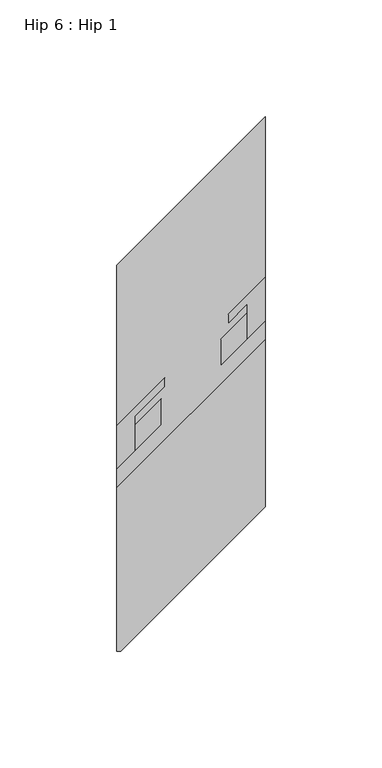
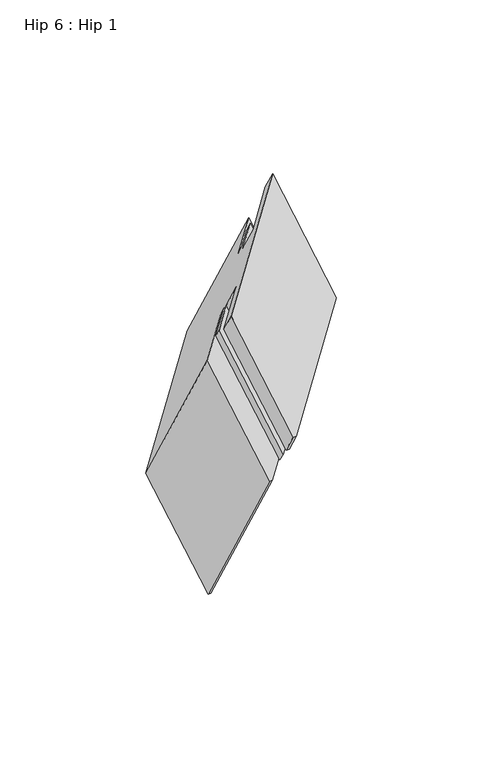
"""IFC4 building model written with IfcOpenShell, lengths in millimetres: proxy geometry, Hip 6 : Hip 1."""

from ifc_helpers import new_model, si_unit, origin, place, context, project, spatial, faceted_brep, source, transform, mapped, element, save


def hip_6_hip_1_bdd7ebe7(model_context):
    return source(origin(), model_context, "Body", "Brep", [
        faceted_brep([(11690.0304414, 10563.7460607, 949.4438947), (11691.7835356, 10563.7460607, 949.4438947), (11753.5304414, 10625.4929665, 985.0934874), (11753.5304414, 10697.111614, 1026.4425329), (11690.0304414, 10633.611614, 989.7807908), (11690.0304414, 10571.6835607, 935.6957415), (11690.0304414, 10641.549114, 976.0326375), (11691.7835356, 10571.6835607, 935.6957415), (11709.0804414, 10660.599114, 987.0311601), (11709.0804414, 10588.9804665, 945.6821147), (11709.0804414, 10671.838614, 967.5637751), (11709.0804414, 10600.2199665, 926.2147296), (11697.9552414, 10660.713414, 961.1406379), (11697.9552414, 10589.0947665, 919.7915924), (11697.9552414, 10664.294814, 954.9374711), (11697.9552414, 10592.6761665, 913.5884256), (11710.4938521, 10676.8334247, 962.1766413), (11710.4938521, 10605.2147771, 920.8275959), (11710.4938521, 10680.7831247, 955.3355603), (11710.4938521, 10609.1644771, 913.9865148), (11690.0304414, 10590.4541607, 903.1841086), (11691.7835356, 10590.4541607, 903.1841086), (11690.0304414, 10660.319714, 943.5210046), (11690.0304414, 10659.1230607, 784.2460849), (11690.0304414, 10728.988614, 824.5829809), (11691.7835356, 10659.1230607, 784.2460849), (11753.5304414, 10792.488614, 861.244723), (11753.5304414, 10720.8699665, 819.8956775), (11753.5304414, 10723.819714, 980.1827467), (11753.5304414, 10652.2010665, 938.8337012), (11737.6554414, 10707.944714, 971.0173112), (11737.6554414, 10636.3260665, 929.6682657), (11737.6554414, 10703.995014, 977.8583923), (11737.6554414, 10632.3763665, 936.5093468), (11745.6056414, 10711.945214, 982.4484424), (11745.6056414, 10640.3265665, 941.0993969), (11745.6056414, 10708.363814, 988.6516091), (11745.6056414, 10636.7451665, 947.3025637), (11734.4804414, 10697.238614, 982.2284719), (11734.4804414, 10625.6199665, 940.8794265), (11734.4804414, 10685.999114, 1001.695857), (11734.4804414, 10614.3804665, 960.3468115), (11753.5304414, 10705.049114, 1012.6943796), (11753.5304414, 10633.4304665, 971.3453341)], [[[0, 1, 2, 3, 4]], [[5, 0, 4, 6]], [[7, 5, 6, 8, 9]], [[9, 8, 10, 11]], [[11, 10, 12, 13]], [[13, 12, 14, 15]], [[15, 14, 16, 17]], [[17, 16, 18, 19]], [[20, 21, 19, 18, 22]], [[23, 20, 22, 24]], [[25, 23, 24, 26, 27]], [[27, 26, 28, 29]], [[29, 28, 30, 31]], [[31, 30, 32, 33]], [[33, 32, 34, 35]], [[35, 34, 36, 37]], [[37, 36, 38, 39]], [[39, 38, 40, 41]], [[41, 40, 42, 43]], [[3, 2, 43, 42]], [[1, 7, 9, 11, 13, 15, 17, 19, 21, 25, 27, 29, 31, 33, 35, 37, 39, 41, 43, 2]], [[4, 3, 42, 40, 38, 36, 34, 32, 30, 28, 26, 24, 22, 18, 16, 14, 12, 10, 8, 6]], [[0, 5, 7, 1]], [[20, 23, 25, 21]]]),
    ])


if __name__ == "__main__":
    model = new_model("IFC4")
    model_context = context("Model", 3, world=origin())
    ifc_project = project(units=[si_unit("LENGTHUNIT", "METRE", prefix="MILLI")], contexts=[model_context])
    site = spatial("IfcSite", under=ifc_project)
    building = spatial("IfcBuilding", under=site)
    placement = place(None, origin())
    hip_6_hip_1_shape = hip_6_hip_1_bdd7ebe7(model_context)
    element("IfcBuildingElementProxy", 1, Name="Hip 6 : Hip 1", ObjectType="Hip 6 : Hip 1", at=placement, inside=building, context=model_context, shape_type="MappedRepresentation", body=[
        mapped(hip_6_hip_1_shape, transform((0.0, 0.0, 0.0), x_axis=(1.0, 0.0, 0.0), y_axis=(0.0, 1.0, 0.0), z_axis=(0.0, 0.0, 1.0))),
    ])
    save(model, "model.ifc")
